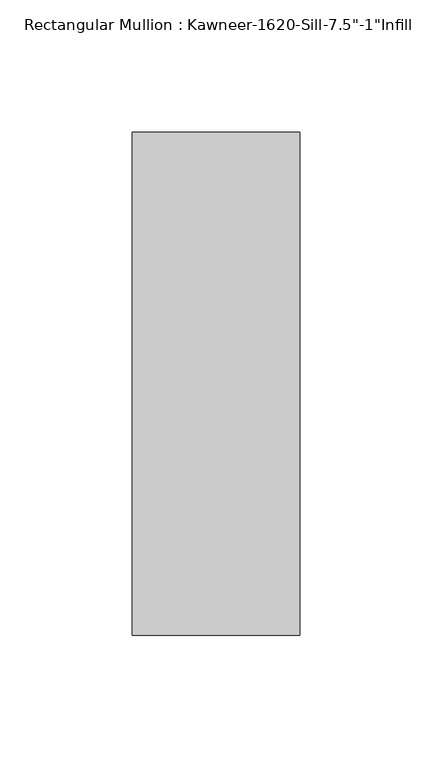
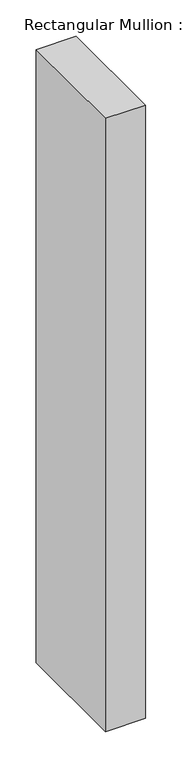
"""IFC4 building model written with IfcOpenShell, lengths in millimetres: member geometry."""

import ifcopenshell
import ifcopenshell.guid

model = None  # the IFC model being written
_history = None  # IfcOwnerHistory: only IFC2X3 demands one
_inside = {}  # id of a spatial element -> (the spatial element, [elements in it])
_under = {}  # id of a project, library or spatial element -> (it, [spatial elements below it])
_declared = {}  # id of a project -> (the project, [libraries it declares])
_typed = {}  # id of a type object -> (the type object, [elements of that type])
_made_of = {}  # id of a material, layer set ... -> (it, [elements and type objects made of it])


def new_model(schema):
    """Start an empty IFC model of exactly this schema.

    Asked for "IFC4X3", IfcOpenShell would pick the latest addendum, in which some entities
    have other attributes; the version numbers below select the first issue.
    IFC2X3 requires an IfcOwnerHistory on every rooted entity: one is made here for all.
    """
    global model, _history
    if schema == "IFC4X3":
        model = ifcopenshell.file(schema_version=(4, 3, 0, 0))
    else:
        model = ifcopenshell.file(schema=schema)
    _inside.clear()
    _under.clear()
    _declared.clear()
    _typed.clear()
    _made_of.clear()
    _history = None
    if model.schema == "IFC2X3":
        org = make("IfcOrganization", Name="unknown")
        user = make(
            "IfcPersonAndOrganization",
            ThePerson=make("IfcPerson", FamilyName="unknown"),
            TheOrganization=org,
        )
        app = make(
            "IfcApplication",
            ApplicationDeveloper=org,
            Version="unknown",
            ApplicationFullName="unknown",
            ApplicationIdentifier="unknown",
        )
        _history = make(
            "IfcOwnerHistory",
            OwningUser=user,
            OwningApplication=app,
            ChangeAction="ADDED",
            CreationDate=0,
        )
    return model


def make(cls, **values):
    """One entity of the class cls with the attributes given. An attribute that is None is left unset."""
    return model.create_entity(
        cls, **{name: value for name, value in values.items() if value is not None}
    )


def rooted(cls, **values):
    """An entity with a GlobalId (a new one), such as an element, a storey or a relation."""
    return make(cls, GlobalId=ifcopenshell.guid.new(), OwnerHistory=_history, **values)


def si_unit(unit_type, name, prefix=None):
    """IfcSIUnit, for example si_unit("LENGTHUNIT", "METRE", prefix="MILLI")."""
    return make("IfcSIUnit", UnitType=unit_type, Prefix=prefix, Name=name)


def assignment(units):
    """IfcUnitAssignment: the units of a project."""
    return None if units is None else make("IfcUnitAssignment", Units=units)


def point(xyz):
    """IfcCartesianPoint."""
    return None if xyz is None else make("IfcCartesianPoint", Coordinates=xyz)


def direction(xyz):
    """IfcDirection."""
    return None if xyz is None else make("IfcDirection", DirectionRatios=xyz)


def frame(location, z_axis=None, x_axis=None):
    """IfcAxis2Placement3D, a coordinate frame: its origin and axes. An axis left out is left unset."""
    return make(
        "IfcAxis2Placement3D",
        Location=point(location),
        Axis=direction(z_axis),
        RefDirection=direction(x_axis),
    )


def origin():
    """The frame at (0, 0, 0) with its axes left unset."""
    return frame((0.0, 0.0, 0.0))


def place(relative_to, where):
    """IfcLocalPlacement: puts the frame where relative to a parent placement (None: the world)."""
    return make(
        "IfcLocalPlacement", PlacementRelTo=relative_to, RelativePlacement=where
    )


def context(
    kind, dimensions, precision=None, world=None, true_north=None, identifier=None
):
    """IfcGeometricRepresentationContext, for example the 3D "Model" context."""
    return make(
        "IfcGeometricRepresentationContext",
        ContextIdentifier=identifier,
        ContextType=kind,
        CoordinateSpaceDimension=dimensions,
        Precision=precision,
        WorldCoordinateSystem=world,
        TrueNorth=true_north,
    )


def project(units=None, contexts=None):
    """IfcProject with its units and contexts."""
    return rooted(
        "IfcProject",
        Name="project",
        RepresentationContexts=contexts,
        UnitsInContext=assignment(units),
    )


def spatial(cls, under=None, at=None, **own):
    """A site, building, storey or space (cls), placed at a placement, below another one or the project."""
    s = rooted(cls, ObjectPlacement=at, **own)
    if under is not None:
        _under.setdefault(under.id(), (under, []))[1].append(s)
    return s


def polyline(points):
    """IfcPolyline through the points."""
    return make("IfcPolyline", Points=[point(p) for p in points])


def outline(outer, holes=None, kind="AREA"):
    """IfcArbitraryClosedProfileDef: a profile drawn as a closed curve; with holes, ...WithVoids."""
    if holes is None:
        return make("IfcArbitraryClosedProfileDef", ProfileType=kind, OuterCurve=outer)
    return make(
        "IfcArbitraryProfileDefWithVoids",
        ProfileType=kind,
        OuterCurve=outer,
        InnerCurves=holes,
    )


def extrude(swept, where, along, depth):
    """IfcExtrudedAreaSolid: the profile swept, set in the frame where, extruded along a direction by depth."""
    return make(
        "IfcExtrudedAreaSolid",
        SweptArea=swept,
        Position=where,
        ExtrudedDirection=direction(along),
        Depth=depth,
    )


def shape(context_of_items, identifier, shape_type, items):
    """IfcShapeRepresentation: the items that make up one representation, for example the "Body"."""
    return make(
        "IfcShapeRepresentation",
        ContextOfItems=context_of_items,
        RepresentationIdentifier=identifier,
        RepresentationType=shape_type,
        Items=items,
    )


def source(mapping_origin, context_of_items, identifier, shape_type, items):
    """IfcRepresentationMap: a shape defined once, which mapped items show again and again."""
    return make(
        "IfcRepresentationMap",
        MappingOrigin=mapping_origin,
        MappedRepresentation=shape(context_of_items, identifier, shape_type, items),
    )


def transform(
    local_origin,
    x_axis=None,
    y_axis=None,
    z_axis=None,
    scale=None,
    scale2=None,
    scale3=None,
    uniform=True,
):
    """IfcCartesianTransformationOperator3D, or its non-uniform kind. x_axis, y_axis, z_axis: its Axis1, 2, 3."""
    if uniform:
        return make(
            "IfcCartesianTransformationOperator3D",
            Axis1=direction(x_axis),
            Axis2=direction(y_axis),
            LocalOrigin=point(local_origin),
            Scale=scale,
            Axis3=direction(z_axis),
        )
    return make(
        "IfcCartesianTransformationOperator3DnonUniform",
        Axis1=direction(x_axis),
        Axis2=direction(y_axis),
        LocalOrigin=point(local_origin),
        Scale=scale,
        Axis3=direction(z_axis),
        Scale2=scale2,
        Scale3=scale3,
    )


def mapped(mapping_source, mapping_target):
    """IfcMappedItem: shows the shape of a source again, moved by a transform."""
    return make(
        "IfcMappedItem", MappingSource=mapping_source, MappingTarget=mapping_target
    )


def made_of(thing, what):
    """Note that an element or type object is made of a material, layer set ...; save() writes the relation."""
    if what is not None:
        _made_of.setdefault(what.id(), (what, []))[1].append(thing)
    return thing


def element(
    cls,
    number,
    at=None,
    inside=None,
    cuts=None,
    type_object=None,
    material=None,
    context=None,
    identifier="Body",
    shape_type=None,
    held_by="IfcProductDefinitionShape",
    body=None,
    shapes=None,
    **own,
):
    """One element of the class cls, such as IfcWall. Its Tag is "e" and its number.

    at: its placement. inside: the storey or other place that contains it. cuts: it is an
    opening in that element (IfcRelVoidsElement). A single representation is given by context,
    identifier, shape_type and body (its items); several are given by shapes. held_by: the class
    of the entity that holds the representations. save() writes the other relations.
    """
    e = rooted(cls, Tag="e%d" % number, ObjectPlacement=at, **own)
    if body is not None:
        shapes = [shape(context, identifier, shape_type, body)]
    if shapes is not None:
        e.Representation = make(held_by, Representations=shapes)
    if inside is not None:
        _inside.setdefault(inside.id(), (inside, []))[1].append(e)
    if cuts is not None:
        rooted(
            "IfcRelVoidsElement", RelatingBuildingElement=cuts, RelatedOpeningElement=e
        )
    if type_object is not None:
        _typed.setdefault(type_object.id(), (type_object, []))[1].append(e)
    return made_of(e, material)


def aggregate(whole, parts):
    """IfcRelAggregates: a whole, such as a stair, and the parts it consists of."""
    return rooted("IfcRelAggregates", RelatingObject=whole, RelatedObjects=parts)


def save(model, path):
    """Write the relations noted so far, then the file.

    IfcRelAggregates (storeys below a building ...), IfcRelContainedInSpatialStructure (elements
    in a storey), IfcRelDefinesByType, IfcRelAssociatesMaterial and IfcRelDeclares: one each for
    every whole, place, type object, material and project.
    """
    for whole, parts in _under.values():
        aggregate(whole, parts)
    for where, things in _inside.values():
        rooted(
            "IfcRelContainedInSpatialStructure",
            RelatedElements=things,
            RelatingStructure=where,
        )
    for kind, things in _typed.values():
        rooted("IfcRelDefinesByType", RelatedObjects=things, RelatingType=kind)
    for what, things in _made_of.values():
        rooted("IfcRelAssociatesMaterial", RelatedObjects=things, RelatingMaterial=what)
    for by, libraries in _declared.values():
        rooted("IfcRelDeclares", RelatingContext=by, RelatedDefinitions=libraries)
    model.write(path)


def member_c397eed9(model_context):
    return source(origin(), model_context, "Body", "SweptSolid", [
        extrude(outline(polyline([(-63.5, 38.1), (0.0, 38.1), (0.0, -152.4), (-63.5, -152.4), (-63.5, 38.1)])), frame((0.0, 0.0, -1028.7), z_axis=(0.0, 0.0, 1.0), x_axis=(1.0, 0.0, 0.0)), (0.0, 0.0, 1.0), 1028.7),
    ])


if __name__ == "__main__":
    model = new_model("IFC4")
    model_context = context("Model", 3, world=origin())
    ifc_project = project(units=[si_unit("LENGTHUNIT", "METRE", prefix="MILLI")], contexts=[model_context])
    site = spatial("IfcSite", under=ifc_project)
    building = spatial("IfcBuilding", under=site)
    placement = place(None, origin())
    member_shape = member_c397eed9(model_context)
    element("IfcMember", 1, ObjectType="Rectangular Mullion : Kawneer-1620-Sill-7.5\"-1\"Infill", at=placement, inside=building, context=model_context, shape_type="MappedRepresentation", body=[
        mapped(member_shape, transform((0.0, 0.0, 0.0), x_axis=(1.0, 0.0, 0.0), y_axis=(0.0, 1.0, 0.0), z_axis=(0.0, 0.0, 1.0))),
    ])
    save(model, "model.ifc")
